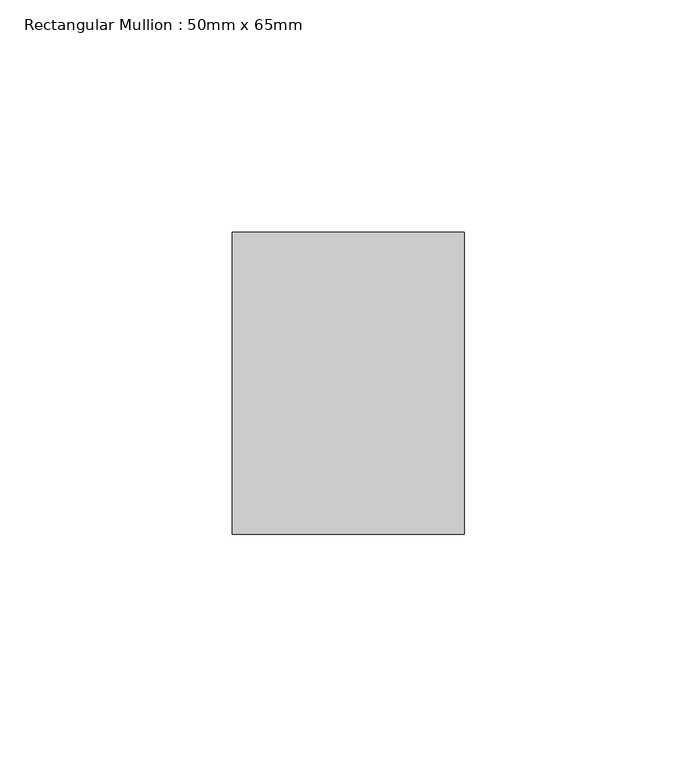
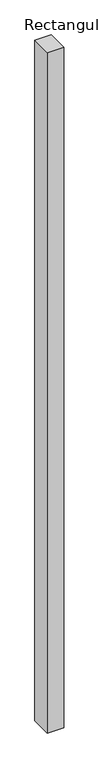
"""IFC4 building model written with IfcOpenShell, lengths in millimetres: member geometry, Rectangular Mullion : 50mm x 65mm."""

from ifc_helpers import new_model, si_unit, frame, origin, place, context, project, spatial, polyline, outline, extrude, source, transform, mapped, element, save


def rectangular_mullion_50mm_x_65mm_9742bedf(model_context):
    return source(origin(), model_context, "Body", "SweptSolid", [
        extrude(outline(polyline([(25.0, 32.5), (25.0, -32.5), (-25.0, -32.5), (-25.0, 32.5), (25.0, 32.5)])), frame((0.0, 0.0, -2186.9739657), z_axis=(0.0, 0.0, 1.0), x_axis=(1.0, 0.0, 0.0)), (0.0, 0.0, 1.0), 2186.9739657),
    ])


if __name__ == "__main__":
    model = new_model("IFC4")
    model_context = context("Model", 3, world=origin())
    ifc_project = project(units=[si_unit("LENGTHUNIT", "METRE", prefix="MILLI")], contexts=[model_context])
    site = spatial("IfcSite", under=ifc_project)
    building = spatial("IfcBuilding", under=site)
    placement = place(None, origin())
    rectangular_mullion_50mm_x_65mm_shape = rectangular_mullion_50mm_x_65mm_9742bedf(model_context)
    element("IfcMember", 1, ObjectType="Rectangular Mullion : 50mm x 65mm", at=placement, inside=building, context=model_context, shape_type="MappedRepresentation", body=[
        mapped(rectangular_mullion_50mm_x_65mm_shape, transform((0.0, 0.0, 0.0), x_axis=(1.0, 0.0, 0.0), y_axis=(0.0, 1.0, 0.0), z_axis=(0.0, 0.0, 1.0))),
    ])
    save(model, "model.ifc")
